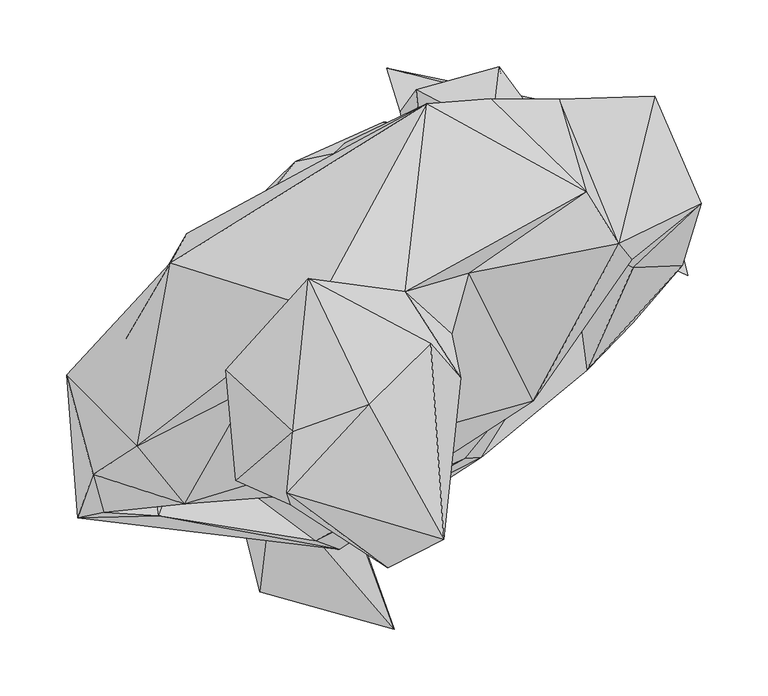
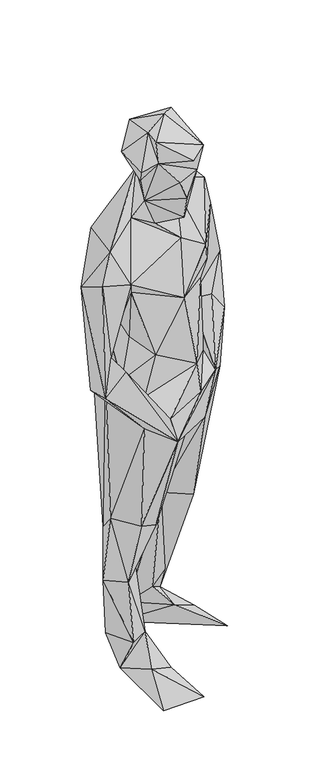
"""IFC4 building model written with IfcOpenShell, lengths in millimetres: geographic element geometry."""

from ifc_helpers import new_model, si_unit, origin, place, context, project, spatial, faceted_brep, source, transform, mapped, element, save


def geographic_element_524593f3(model_context):
    return source(origin(), model_context, "Body", "Brep", [
        faceted_brep([(50.3339128, -68.5173637, 746.3508752), (-41.4077932, -171.7987039, 781.7386292), (-48.0371037, -73.9789298, 471.8897582), (-176.9725658, -146.6498804, 1026.6386144), (-237.6300216, -147.998957, 967.9298877), (-111.8182079, -110.5416627, 512.1539768), (102.3698735, -57.1783923, 738.283029), (144.8801291, -36.9519885, 854.8834814), (65.4009647, -102.5366919, 855.2799715), (-123.4279558, -145.9003967, 835.3605763), (-58.9263842, -165.2564386, 853.6286249), (-163.9097909, -45.3486288, 514.5837601), (-140.3203589, -96.5432364, 342.5457137), (-169.6832308, -30.7578646, 947.7759483), (-153.9295446, -84.2492794, 956.3636066), (-240.9712642, -80.5888986, 954.3375851), (-151.9156229, 10.7103706, 451.9655649), (-187.9367954, -50.4547947, 336.1194986), (-166.4120981, 29.7835354, 850.7854237), (-154.3744038, 19.8274848, 967.4607992), (-74.2134443, 119.6466968, 900.0677355), (-56.0710908, 48.2522765, 755.0691273), (-8.2975159, 149.5100092, 784.1272853), (-143.9445001, 60.0602806, 789.7267244), (46.1295428, 144.8753011, 973.7226247), (123.1209173, 131.0025884, 495.3341125), (73.3043915, 144.0460366, 483.6687386), (120.0891346, 109.8743887, 978.9569853), (-37.1695827, 133.555664, 992.3460957), (123.3941078, 96.932492, 1010.7761497), (24.4960465, 163.24733, 1333.5451915), (72.4751195, 166.9802496, 1301.5856582), (127.3712202, 116.0636753, 1124.929891), (142.6558477, 141.8676955, 1070.0361596), (143.9904255, 96.9083074, 1400.8803194), (123.8244682, 166.4145121, 1307.127102), (195.6032937, 168.7814274, 1070.9428655), (157.9840164, 105.5273773, 954.1103126), (168.4743741, 57.840842, 1377.1240541), (8.0871767, 22.0396721, 1488.4683902), (55.9647114, 35.7068773, 1431.4495148), (104.221827, -60.2730393, 1267.3414789), (178.2805451, 46.0110785, 1303.3481675), (230.6211413, 87.950765, 1112.6261812), (217.0796368, 114.4220591, 954.7462345), (216.2817988, 41.7148391, 975.4826902), (179.5232274, 39.9475093, 1028.5969845), (131.831853, 62.6423798, 1015.621292), (121.687217, -34.9332202, 1201.4595122), (86.5726833, -61.9509101, 1171.9539021), (144.9840945, 24.3026313, 879.5221935), (179.080797, -1.6295238, 833.9825169), (120.6113532, 32.0730876, 442.0965557), (161.1584554, 32.7911447, 833.7431447), (29.9165096, 35.7044596, 477.3223341), (-7.7317757, 4.7144973, 708.4849985), (-66.6823379, 8.0315693, 454.8668209), (16.8682316, 84.8585431, 485.4022503), (-82.4819495, -19.0248096, 374.4544043), (78.9521178, 190.9709996, 156.6929798), (16.331503, 173.8368102, 309.6312842), (144.9840945, 24.3026313, 879.5221935), (53.0755737, -103.2595845, 947.4882962), (5.0287973, -124.8592346, 1177.0214889), (17.2405557, -84.6747969, 1331.5675094), (-157.1402381, -137.7406848, 1282.3409876), (-49.2991352, -69.7237915, 1390.169961), (43.3491985, -9.8351667, 1439.4570411), (-107.570319, -50.5998575, 1415.9521882), (49.876965, -43.1896331, 1557.1236418), (-9.1533781, -146.0696292, 1441.6329683), (-70.7633934, -55.5053495, 1458.2811414), (-193.1034005, -94.0409291, 1369.1117594), (-59.1874972, 9.1146956, 1513.6873535), (-168.2616302, 43.2790848, 1351.4723611), (-246.026647, -40.7163309, 1247.9346836), (-226.1774065, -115.4133142, 1285.8369192), (-155.689625, 65.5387632, 1197.9223342), (-201.7345553, -13.5584118, 1243.2660903), (-123.0943262, -68.2731784, 1069.8209869), (-135.5623586, -101.0909217, 1228.5085765), (-76.9067546, -119.7385624, 1029.373037), (-180.5580087, -66.5759585, 1047.0826496), (-111.8182079, -125.9181782, 916.9745928), (-188.7297905, -59.0182573, 1009.4778413), (-218.2377103, -143.9928395, 1084.0756759), (-180.6957997, -67.8162343, 971.3146567), (-64.4846551, 31.6983457, 1651.9114767), (21.4690973, -157.8534673, 1584.2428012), (27.2908971, -17.2598975, 1686.7916376), (37.0922159, -164.3812338, 1657.6293502), (-11.2567701, -164.168475, 1510.5999521), (-77.6900788, -138.4176446, 1623.2474842), (-27.0273682, -157.7253173, 1559.1882275), (-87.1094082, -62.4223679, 1529.883485), (-126.527442, -37.014849, 1616.4778271), (-118.8923776, -119.9005529, 1599.6459525), (-76.3482666, -83.243518, 1684.2916996), (-80.7218691, -129.4842793, 1685.3023559), (-4.7024092, -185.7463545, 1636.8419922), (-19.2980093, -62.8913931, 1709.8660258), (4.6782321, 157.1886073, 77.3201799), (56.8665073, 174.6902742, 65.2389742), (91.4225642, 148.5260111, 97.7206591), (49.093637, 112.5193373, 136.6116239), (83.376496, 110.1137386, 180.1131494), (99.9134916, 89.9840433, 76.0170435), (192.0589632, 148.9684563, 6.8348124), (-5.5582718, 189.9023778, 1.4820446), (220.435408, 34.1958213, 3.215529), (-73.2028475, -63.0678899, 149.0071248), (-76.5175065, -3.6217011, 156.7751746), (-128.778307, -100.5058351, 154.8579465), (-138.4515, -50.7836038, 52.9014983), (-163.8154963, -20.5938925, 149.8388182), (-118.0389285, -1.0347718, 136.7397589), (-37.430692, -129.3271317, 65.782956), (-85.2695469, 7.0475693, 0.3795775), (-91.5216941, -125.0091329, 75.9711033), (-100.8443149, -203.4269397, -0.132973), (0.06286, -231.4914883, 24.3292243)], [[[0, 1, 2]], [[3, 4, 1]], [[1, 5, 2]], [[6, 7, 1]], [[8, 1, 7]], [[4, 9, 1]], [[9, 5, 1]], [[1, 0, 6]], [[10, 3, 1]], [[8, 10, 1]], [[11, 5, 9]], [[11, 12, 5]], [[2, 5, 12]], [[13, 11, 9]], [[14, 9, 15]], [[13, 9, 14]], [[4, 15, 9]], [[11, 13, 16]], [[11, 17, 12]], [[11, 16, 17]], [[18, 16, 13]], [[13, 14, 19]], [[13, 19, 18]], [[18, 19, 20]], [[18, 21, 16]], [[22, 18, 20]], [[23, 21, 18]], [[23, 18, 22]], [[19, 24, 20]], [[22, 20, 24]], [[22, 24, 25]], [[21, 22, 26]], [[23, 22, 21]], [[25, 26, 22]], [[24, 27, 25]], [[24, 19, 28]], [[24, 28, 29]], [[27, 24, 29]], [[28, 19, 30]], [[31, 29, 28]], [[28, 30, 31]], [[29, 31, 32]], [[33, 27, 29]], [[29, 32, 33]], [[30, 34, 31]], [[35, 31, 34]], [[35, 32, 31]], [[35, 33, 32]], [[33, 35, 36]], [[33, 36, 37]], [[37, 27, 33]], [[35, 38, 36]], [[35, 34, 38]], [[30, 39, 34]], [[39, 40, 34]], [[34, 40, 38]], [[41, 42, 38]], [[38, 42, 43]], [[38, 43, 36]], [[41, 38, 40]], [[37, 36, 44]], [[36, 43, 44]], [[44, 43, 45]], [[43, 46, 45]], [[43, 47, 46]], [[47, 43, 42]], [[42, 41, 48]], [[47, 42, 48]], [[49, 50, 47]], [[7, 47, 50]], [[47, 48, 49]], [[46, 47, 7]], [[45, 46, 7]], [[45, 51, 44]], [[45, 7, 51]], [[8, 7, 50]], [[51, 7, 6]], [[51, 52, 25]], [[6, 52, 51]], [[51, 53, 44]], [[53, 51, 25]], [[6, 54, 52]], [[6, 55, 54]], [[55, 6, 0]], [[55, 56, 21]], [[21, 57, 55]], [[55, 0, 56]], [[55, 57, 54]], [[0, 2, 56]], [[56, 16, 21]], [[2, 12, 56]], [[16, 56, 58]], [[58, 56, 12]], [[21, 26, 57]], [[26, 54, 57]], [[26, 25, 59]], [[54, 26, 60]], [[59, 60, 26]], [[25, 27, 53]], [[25, 52, 59]], [[61, 27, 37]], [[27, 61, 53]], [[37, 44, 53]], [[61, 37, 53]], [[49, 62, 50]], [[50, 62, 8]], [[49, 63, 62]], [[48, 63, 49]], [[48, 41, 63]], [[63, 41, 64]], [[41, 40, 64]], [[63, 64, 65]], [[66, 64, 67]], [[65, 64, 68]], [[40, 67, 64]], [[64, 66, 68]], [[67, 40, 39]], [[69, 70, 67]], [[67, 39, 69]], [[70, 66, 67]], [[70, 71, 66]], [[71, 68, 66]], [[72, 68, 73]], [[68, 72, 65]], [[68, 71, 73]], [[73, 74, 72]], [[72, 74, 75]], [[76, 65, 72]], [[76, 72, 75]], [[30, 74, 73]], [[74, 30, 77]], [[74, 77, 78]], [[74, 78, 75]], [[77, 30, 19]], [[30, 73, 39]], [[19, 14, 77]], [[78, 77, 79]], [[14, 79, 77]], [[79, 80, 78]], [[80, 79, 81]], [[79, 14, 81]], [[81, 63, 80]], [[78, 80, 82]], [[63, 65, 80]], [[80, 65, 82]], [[63, 81, 62]], [[14, 83, 81]], [[62, 81, 83]], [[10, 62, 83]], [[8, 62, 10]], [[14, 10, 83]], [[3, 10, 14]], [[84, 3, 14]], [[85, 4, 3]], [[3, 84, 85]], [[75, 4, 76]], [[85, 76, 4]], [[75, 15, 4]], [[82, 65, 85]], [[76, 85, 65]], [[85, 84, 82]], [[78, 82, 84]], [[84, 75, 78]], [[84, 15, 75]], [[14, 15, 86]], [[84, 86, 15]], [[86, 84, 14]], [[87, 69, 39]], [[39, 73, 87]], [[88, 70, 69]], [[89, 69, 87]], [[69, 89, 90]], [[69, 90, 88]], [[91, 70, 88]], [[71, 70, 91]], [[88, 92, 93]], [[88, 90, 92]], [[93, 91, 88]], [[71, 91, 93]], [[92, 71, 93]], [[94, 73, 71]], [[92, 94, 71]], [[95, 94, 96]], [[94, 95, 73]], [[94, 92, 96]], [[96, 97, 95]], [[92, 97, 96]], [[98, 92, 99]], [[98, 97, 92]], [[90, 99, 92]], [[87, 97, 100]], [[95, 97, 87]], [[97, 98, 100]], [[95, 87, 73]], [[100, 89, 87]], [[100, 98, 90]], [[100, 90, 89]], [[90, 98, 99]], [[101, 60, 59]], [[59, 102, 101]], [[59, 52, 103]], [[59, 103, 102]], [[60, 101, 54]], [[104, 54, 101]], [[52, 54, 103]], [[103, 54, 105]], [[105, 54, 104]], [[106, 107, 103]], [[104, 106, 103]], [[107, 102, 103]], [[105, 104, 103]], [[102, 107, 108]], [[102, 108, 101]], [[108, 107, 109]], [[109, 107, 106]], [[109, 106, 108]], [[101, 108, 106]], [[101, 106, 104]], [[58, 12, 110]], [[16, 58, 111]], [[58, 110, 111]], [[17, 112, 12]], [[110, 12, 112]], [[113, 110, 112]], [[114, 113, 112]], [[114, 112, 17]], [[115, 114, 17]], [[16, 115, 17]], [[111, 115, 16]], [[111, 110, 115]], [[115, 116, 117]], [[114, 115, 113]], [[113, 115, 117]], [[110, 116, 115]], [[110, 113, 118]], [[113, 117, 119]], [[113, 119, 118]], [[120, 117, 116]], [[117, 120, 119]], [[116, 118, 120]], [[118, 116, 110]], [[120, 118, 119]]]),
    ])


if __name__ == "__main__":
    model = new_model("IFC4")
    model_context = context("Model", 3, world=origin())
    ifc_project = project(units=[si_unit("LENGTHUNIT", "METRE", prefix="MILLI")], contexts=[model_context])
    site = spatial("IfcSite", under=ifc_project)
    building = spatial("IfcBuilding", under=site)
    placement = place(None, origin())
    geographic_element_shape = geographic_element_524593f3(model_context)
    element("IfcGeographicElement", 1, at=placement, inside=building, context=model_context, shape_type="MappedRepresentation", body=[
        mapped(geographic_element_shape, transform((0.0, 0.0, 0.0), x_axis=(1.0, 0.0, 0.0), y_axis=(0.0, 1.0, 0.0), z_axis=(0.0, 0.0, 1.0))),
    ])
    save(model, "model.ifc")
